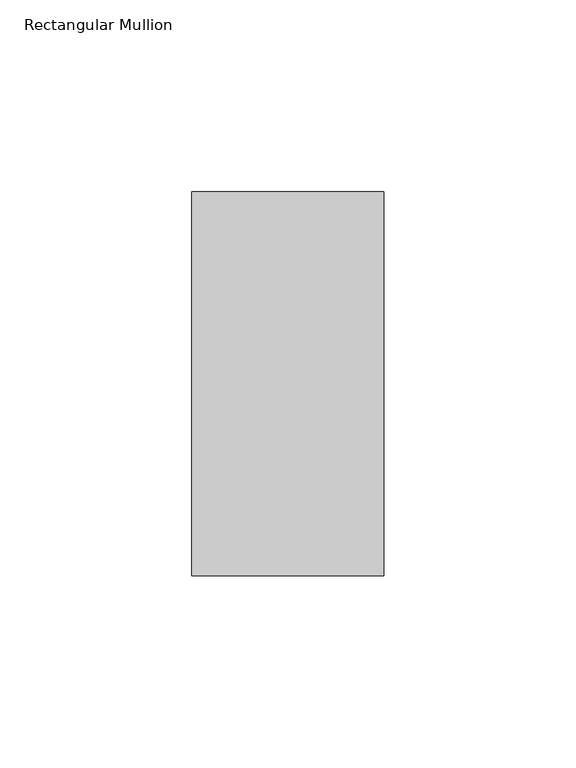
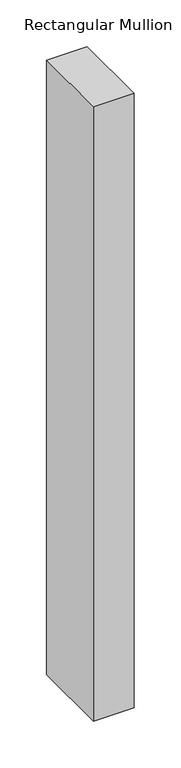
"""IFC4 building model written with IfcOpenShell, lengths in millimetres: member geometry, Rectangular Mullion."""

from ifc_helpers import new_model, si_unit, frame, origin, place, context, project, spatial, polyline, outline, extrude, source, transform, mapped, element, save


def rectangular_mullion_2ba162e2(model_context):
    return source(origin(), model_context, "Body", "SweptSolid", [
        extrude(outline(polyline([(25.0, 31.0), (25.0, -69.0), (-25.0, -69.0), (-25.0, 31.0), (25.0, 31.0)])), frame((0.0, 0.0, -800.0), z_axis=(0.0, 0.0, 1.0), x_axis=(1.0, 0.0, 0.0)), (0.0, 0.0, 1.0), 800.0),
    ])


if __name__ == "__main__":
    model = new_model("IFC4")
    model_context = context("Model", 3, world=origin())
    ifc_project = project(units=[si_unit("LENGTHUNIT", "METRE", prefix="MILLI")], contexts=[model_context])
    site = spatial("IfcSite", under=ifc_project)
    building = spatial("IfcBuilding", under=site)
    placement = place(None, origin())
    rectangular_mullion_shape = rectangular_mullion_2ba162e2(model_context)
    element("IfcMember", 1, ObjectType="Rectangular Mullion", at=placement, inside=building, context=model_context, shape_type="MappedRepresentation", body=[
        mapped(rectangular_mullion_shape, transform((0.0, 0.0, 0.0), x_axis=(1.0, 0.0, 0.0), y_axis=(0.0, 1.0, 0.0), z_axis=(0.0, 0.0, 1.0))),
    ])
    save(model, "model.ifc")
